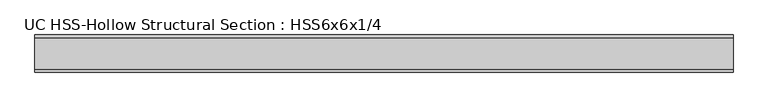
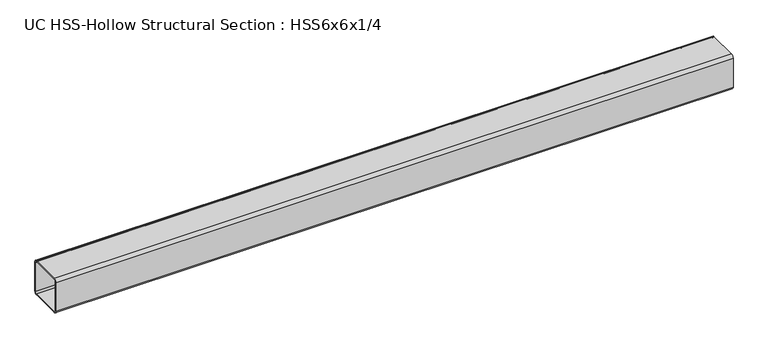
"""IFC4 building model written with IfcOpenShell, lengths in millimetres: beam geometry, UC HSS-Hollow Structural Section : HSS6x6x1/4."""

from ifc_helpers import new_model, si_unit, point, frame, frame_2d, origin, place, context, project, spatial, polyline, circle_curve, trimmed, segment, composite_curve, outline, extrude, source, transform, mapped, element, save


def uc_hss_hollow_structural_section_hss6x6x1_4_1a2e483f(model_context):
    return source(origin(), model_context, "Body", "SweptSolid", [
        extrude(outline(composite_curve([segment(polyline([(76.2, 64.3636), (76.2, -64.3636)]), True, "CONTINUOUS"), segment(trimmed(circle_curve(frame_2d((64.3636, -64.3636)), 11.8364), [point((76.2, -64.3636))], [point((64.3636, -76.2))], False, "CARTESIAN"), True, "CONTINUOUS"), segment(polyline([(64.3636, -76.2), (-64.3636, -76.2)]), True, "CONTINUOUS"), segment(trimmed(circle_curve(frame_2d((-64.3636, -64.3636)), 11.8364), [point((-64.3636, -76.2))], [point((-76.2, -64.3636))], False, "CARTESIAN"), True, "CONTINUOUS"), segment(polyline([(-76.2, -64.3636), (-76.2, 64.3636)]), True, "CONTINUOUS"), segment(trimmed(circle_curve(frame_2d((-64.3636, 64.3636)), 11.8364), [point((-76.2, 64.3636))], [point((-64.3636, 76.2))], False, "CARTESIAN"), True, "CONTINUOUS"), segment(polyline([(-64.3636, 76.2), (64.3636, 76.2)]), True, "CONTINUOUS"), segment(trimmed(circle_curve(frame_2d((64.3636, 64.3636)), 11.8364), [point((64.3636, 76.2))], [point((76.2, 64.3636))], False, "CARTESIAN"), True, "CONTINUOUS")], self_intersect=False), holes=[composite_curve([segment(trimmed(circle_curve(frame_2d((-64.3636, 64.3636)), 5.9182), [point((-64.3636, 70.2818))], [point((-70.2818, 64.3636))], True, "CARTESIAN"), True, "CONTINUOUS"), segment(polyline([(-70.2818, 64.3636), (-70.2818, -64.3636)]), True, "CONTINUOUS"), segment(trimmed(circle_curve(frame_2d((-64.3636, -64.3636)), 5.9182), [point((-70.2818, -64.3636))], [point((-64.3636, -70.2818))], True, "CARTESIAN"), True, "CONTINUOUS"), segment(polyline([(-64.3636, -70.2818), (64.3636, -70.2818)]), True, "CONTINUOUS"), segment(trimmed(circle_curve(frame_2d((64.3636, -64.3636)), 5.9182), [point((64.3636, -70.2818))], [point((70.2818, -64.3636))], True, "CARTESIAN"), True, "CONTINUOUS"), segment(polyline([(70.2818, -64.3636), (70.2818, 64.3636)]), True, "CONTINUOUS"), segment(trimmed(circle_curve(frame_2d((64.3636, 64.3636)), 5.9182), [point((70.2818, 64.3636))], [point((64.3636, 70.2818))], True, "CARTESIAN"), True, "CONTINUOUS"), segment(polyline([(64.3636, 70.2818), (-64.3636, 70.2818)]), True, "CONTINUOUS")], self_intersect=False)]), frame((-1058.4409558, 0.0, 0.0), z_axis=(1.0, 0.0, 0.0), x_axis=(0.0, 1.0, 0.0)), (0.0, 0.0, 1.0), 2862.9769692),
    ])


if __name__ == "__main__":
    model = new_model("IFC4")
    model_context = context("Model", 3, world=origin())
    ifc_project = project(units=[si_unit("LENGTHUNIT", "METRE", prefix="MILLI")], contexts=[model_context])
    site = spatial("IfcSite", under=ifc_project)
    building = spatial("IfcBuilding", under=site)
    placement = place(None, origin())
    uc_hss_hollow_structural_section_hss6x6x1_4_shape = uc_hss_hollow_structural_section_hss6x6x1_4_1a2e483f(model_context)
    element("IfcBeam", 1, ObjectType="UC HSS-Hollow Structural Section : HSS6x6x1/4", at=placement, inside=building, context=model_context, shape_type="MappedRepresentation", body=[
        mapped(uc_hss_hollow_structural_section_hss6x6x1_4_shape, transform((0.0, 0.0, 0.0), x_axis=(1.0, 0.0, 0.0), y_axis=(0.0, 1.0, 0.0), z_axis=(0.0, 0.0, 1.0))),
    ])
    save(model, "model.ifc")
